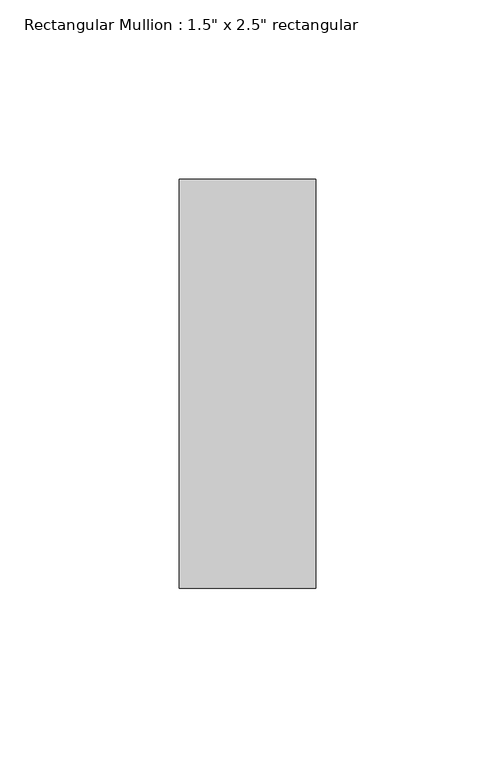
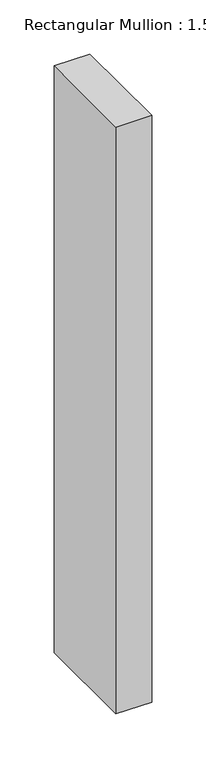
"""IFC4 building model written with IfcOpenShell, lengths in millimetres: member geometry."""

from ifc_helpers import new_model, si_unit, frame, origin, place, context, project, spatial, polyline, outline, extrude, source, transform, mapped, element, save


def member_5a9efe91(model_context):
    return source(origin(), model_context, "Body", "SweptSolid", [
        extrude(outline(polyline([(0.0, 57.15), (0.0, -57.15), (-38.1, -57.15), (-38.1, 57.15), (0.0, 57.15)])), frame((0.0, 0.0, -662.5166667), z_axis=(0.0, 0.0, 1.0), x_axis=(1.0, 0.0, 0.0)), (0.0, 0.0, 1.0), 662.5166667),
    ])


if __name__ == "__main__":
    model = new_model("IFC4")
    model_context = context("Model", 3, world=origin())
    ifc_project = project(units=[si_unit("LENGTHUNIT", "METRE", prefix="MILLI")], contexts=[model_context])
    site = spatial("IfcSite", under=ifc_project)
    building = spatial("IfcBuilding", under=site)
    placement = place(None, origin())
    member_shape = member_5a9efe91(model_context)
    element("IfcMember", 1, ObjectType="Rectangular Mullion : 1.5\" x 2.5\" rectangular", at=placement, inside=building, context=model_context, shape_type="MappedRepresentation", body=[
        mapped(member_shape, transform((0.0, 0.0, 0.0), x_axis=(1.0, 0.0, 0.0), y_axis=(0.0, 1.0, 0.0), z_axis=(0.0, 0.0, 1.0))),
    ])
    save(model, "model.ifc")
